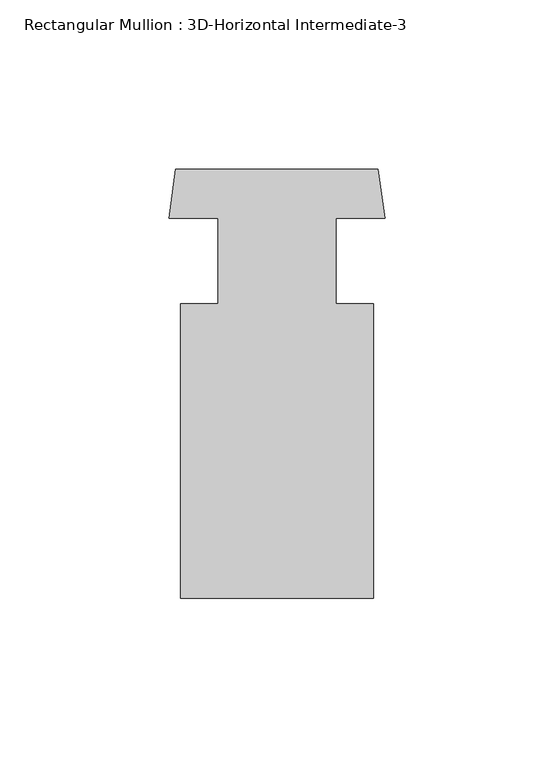
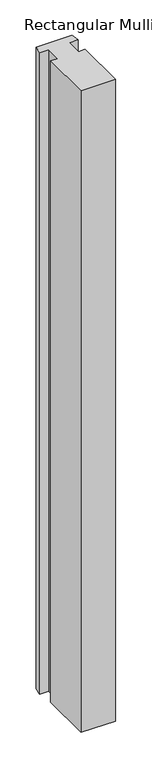
"""IFC4 building model written with IfcOpenShell, lengths in millimetres: member geometry, Rectangular Mullion : 3D-Horizontal Intermediate-3."""

from ifc_helpers import new_model, si_unit, frame, origin, place, context, project, spatial, polyline, outline, extrude, source, transform, mapped, element, save


def rectangular_mullion_3d_horizontal_intermediate_3_8f22c8eb(model_context):
    return source(origin(), model_context, "Body", "SweptSolid", [
        extrude(outline(polyline([(-29.9251771, 53.975), (29.9055874, 53.975), (31.9611048, 39.4721831), (17.4654051, 39.4721831), (17.4654051, 14.0721831), (28.5652051, 14.0721831), (28.5652051, -73.025), (-28.5847949, -73.025), (-28.5847949, 14.0721831), (-17.4722949, 14.0721831), (-17.4722949, 39.4520209), (-31.9835521, 39.4520209), (-29.9251771, 53.975)])), frame((0.0, 0.0, -1126.6781188), z_axis=(0.0, 0.0, 1.0), x_axis=(1.0, 0.0, 0.0)), (0.0, 0.0, 1.0), 1126.6781188),
    ])


if __name__ == "__main__":
    model = new_model("IFC4")
    model_context = context("Model", 3, world=origin())
    ifc_project = project(units=[si_unit("LENGTHUNIT", "METRE", prefix="MILLI")], contexts=[model_context])
    site = spatial("IfcSite", under=ifc_project)
    building = spatial("IfcBuilding", under=site)
    placement = place(None, origin())
    rectangular_mullion_3d_horizontal_intermediate_3_shape = rectangular_mullion_3d_horizontal_intermediate_3_8f22c8eb(model_context)
    element("IfcMember", 1, ObjectType="Rectangular Mullion : 3D-Horizontal Intermediate-3", at=placement, inside=building, context=model_context, shape_type="MappedRepresentation", body=[
        mapped(rectangular_mullion_3d_horizontal_intermediate_3_shape, transform((0.0, 0.0, 0.0), x_axis=(1.0, 0.0, 0.0), y_axis=(0.0, 1.0, 0.0), z_axis=(0.0, 0.0, 1.0))),
    ])
    save(model, "model.ifc")
